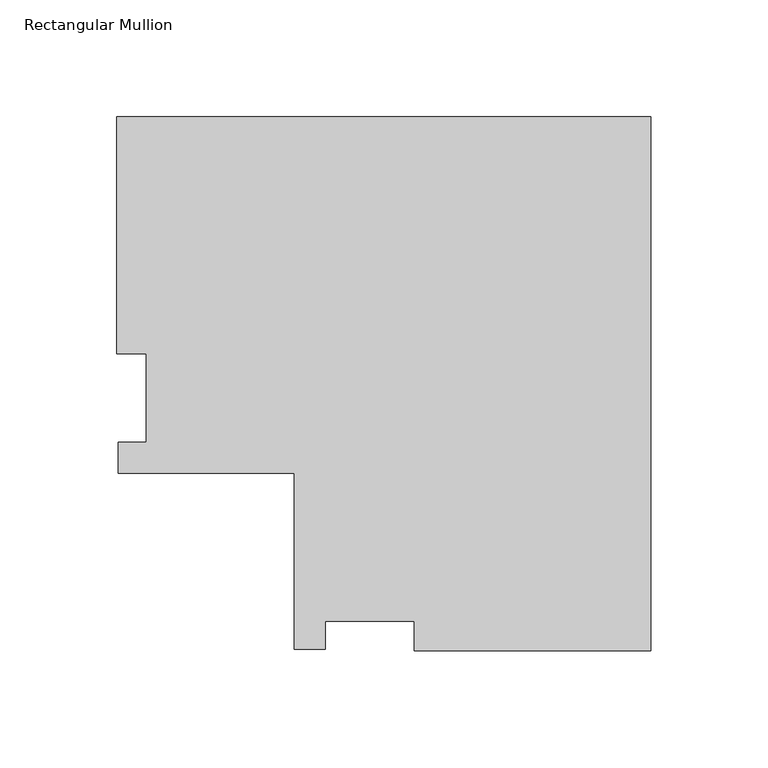
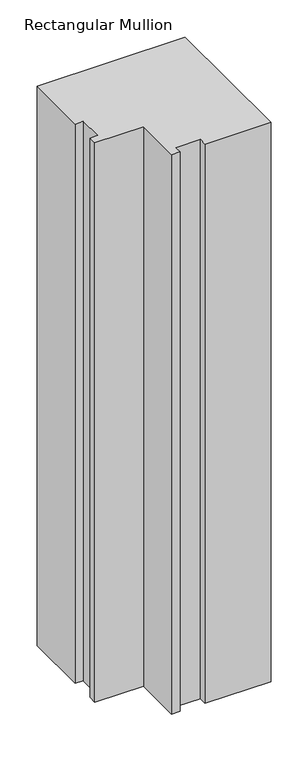
"""IFC4 building model written with IfcOpenShell, lengths in millimetres: member geometry, Rectangular Mullion."""

from ifc_helpers import new_model, si_unit, frame, origin, place, context, project, spatial, polyline, outline, extrude, source, transform, mapped, element, save


def rectangular_mullion_9484e08e(model_context):
    return source(origin(), model_context, "Body", "SweptSolid", [
        extrude(outline(polyline([(-229.08768, 152.8960937), (0.0, 152.8960937), (0.0, -76.1915863), (-101.6, -76.1915863), (-101.6, -63.4915863), (-139.7, -63.4915863), (-139.7, -75.404186), (-152.8876794, -75.404186), (-152.8876794, 0.0084137), (-228.3002806, 0.0084137), (-228.3002806, 13.1960937), (-216.38768, 13.1960937), (-216.38768, 51.2960937), (-229.08768, 51.2960937), (-229.08768, 152.8960937)])), frame((0.0, 0.0, -914.4), z_axis=(0.0, 0.0, 1.0), x_axis=(1.0, 0.0, 0.0)), (0.0, 0.0, 1.0), 914.4),
    ])


if __name__ == "__main__":
    model = new_model("IFC4")
    model_context = context("Model", 3, world=origin())
    ifc_project = project(units=[si_unit("LENGTHUNIT", "METRE", prefix="MILLI")], contexts=[model_context])
    site = spatial("IfcSite", under=ifc_project)
    building = spatial("IfcBuilding", under=site)
    placement = place(None, origin())
    rectangular_mullion_shape = rectangular_mullion_9484e08e(model_context)
    element("IfcMember", 1, ObjectType="Rectangular Mullion", at=placement, inside=building, context=model_context, shape_type="MappedRepresentation", body=[
        mapped(rectangular_mullion_shape, transform((0.0, 0.0, 0.0), x_axis=(1.0, 0.0, 0.0), y_axis=(0.0, 1.0, 0.0), z_axis=(0.0, 0.0, 1.0))),
    ])
    save(model, "model.ifc")
